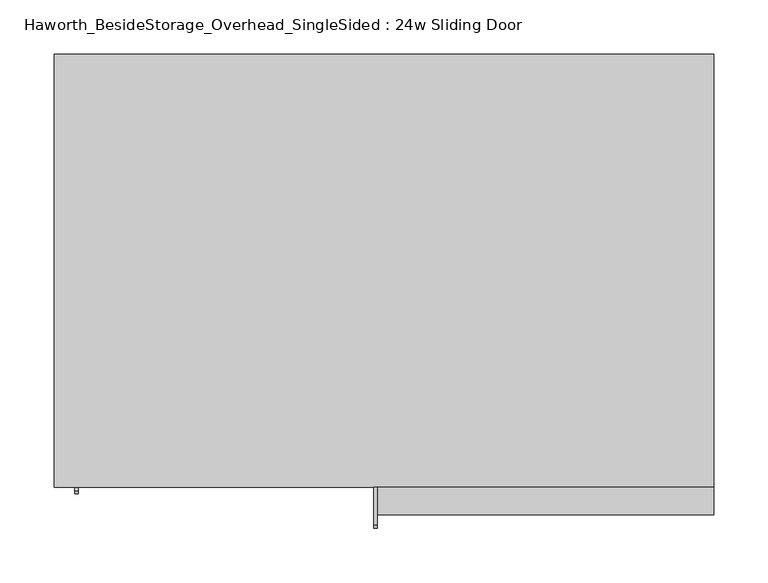
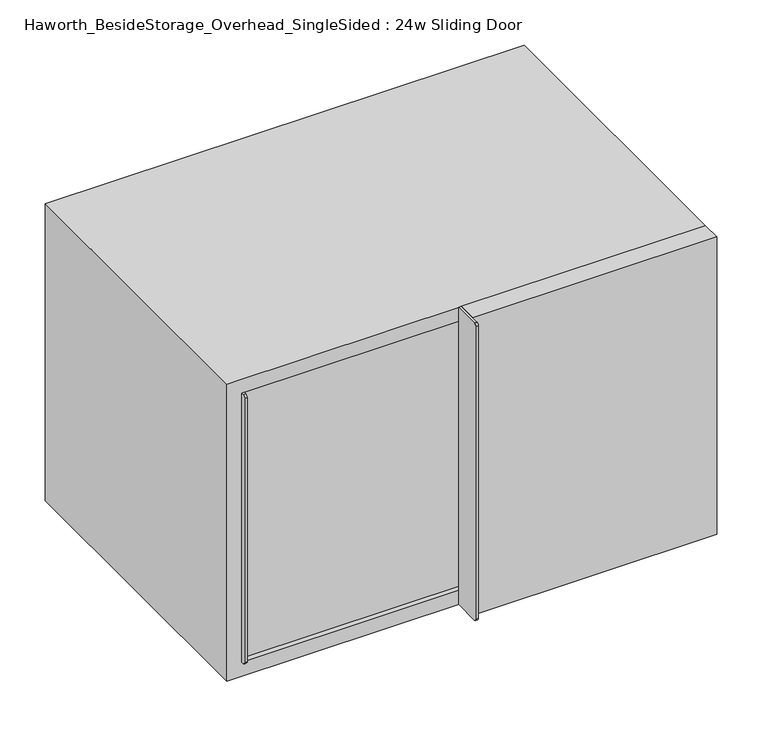
"""IFC4 building model written with IfcOpenShell, lengths in millimetres: furniture geometry, Haworth_BesideStorage_Overhead_SingleSided : 24w Sliding Door."""

from ifc_helpers import new_model, si_unit, point, frame, frame_2d, origin, place, context, project, spatial, polyline, circle_curve, trimmed, segment, composite_curve, outline, extrude, source, transform, mapped, element, save


def haworth_besidestorage_overhead_singlesided_24w_sliding_door_18602fe6(model_context):
    return source(origin(), model_context, "Body", "SweptSolid", [
        extrude(outline(composite_curve([segment(polyline([(-400.05, 1162.05), (-400.05, 762.0), (-434.975, 762.0)]), True, "CONTINUOUS"), segment(trimmed(circle_curve(frame_2d((-434.975, 765.175)), 3.175), [point((-434.975, 762.0))], [point((-438.15, 765.175))], False, "CARTESIAN"), True, "CONTINUOUS"), segment(polyline([(-438.15, 765.175), (-438.15, 1158.875)]), True, "CONTINUOUS"), segment(trimmed(circle_curve(frame_2d((-434.975, 1158.875)), 3.175), [point((-438.15, 1158.875))], [point((-434.975, 1162.05))], False, "CARTESIAN"), True, "CONTINUOUS"), segment(polyline([(-434.975, 1162.05), (-400.05, 1162.05)]), True, "CONTINUOUS")], self_intersect=False)), frame((155.575, 0.0, 0.0), z_axis=(1.0, 0.0, 0.0), x_axis=(0.0, 1.0, 0.0)), (0.0, 0.0, 1.0), 3.175),
        extrude(outline(polyline([(469.9, -400.05), (469.9, -425.45), (158.75, -425.45), (158.75, -400.05), (469.9, -400.05)])), frame((0.0, 0.0, 762.0), z_axis=(0.0, 0.0, 1.0), x_axis=(1.0, 0.0, 0.0)), (0.0, 0.0, 1.0), 400.05),
        extrude(outline(composite_curve([segment(polyline([(-368.3, 1143.0), (-368.3, 781.05), (-403.225, 781.05)]), True, "CONTINUOUS"), segment(trimmed(circle_curve(frame_2d((-403.225, 784.225)), 3.175), [point((-403.225, 781.05))], [point((-406.4, 784.225))], False, "CARTESIAN"), True, "CONTINUOUS"), segment(polyline([(-406.4, 784.225), (-406.4, 1139.825)]), True, "CONTINUOUS"), segment(trimmed(circle_curve(frame_2d((-403.225, 1139.825)), 3.175), [point((-406.4, 1139.825))], [point((-403.225, 1143.0))], False, "CARTESIAN"), True, "CONTINUOUS"), segment(polyline([(-403.225, 1143.0), (-368.3, 1143.0)]), True, "CONTINUOUS")], self_intersect=False)), frame((-120.65, 0.0, 0.0), z_axis=(1.0, 0.0, 0.0), x_axis=(0.0, 1.0, 0.0)), (0.0, 0.0, 1.0), 3.175),
        extrude(outline(polyline([(174.625, -368.3), (174.625, -393.7), (-117.475, -393.7), (-117.475, -368.3), (174.625, -368.3)])), frame((0.0, 0.0, 781.05), z_axis=(0.0, 0.0, 1.0), x_axis=(1.0, 0.0, 0.0)), (0.0, 0.0, 1.0), 361.95),
        extrude(outline(polyline([(174.625, -368.3), (155.575, -368.3), (155.575, -19.05), (174.625, -19.05), (174.625, -368.3)])), frame((0.0, 0.0, 781.05), z_axis=(0.0, 0.0, 1.0), x_axis=(1.0, 0.0, 0.0)), (0.0, 0.0, 1.0), 361.95),
        extrude(outline(polyline([(450.85, -19.05), (-120.65, -19.05), (-120.65, 0.0), (450.85, 0.0), (450.85, -19.05)])), frame((0.0, 0.0, 781.05), z_axis=(0.0, 0.0, 1.0), x_axis=(1.0, 0.0, 0.0)), (0.0, 0.0, 1.0), 361.95),
        extrude(outline(polyline([(762.0, 469.9), (1162.05, 469.9), (1162.05, -139.7), (762.0, -139.7), (762.0, 469.9)]), holes=[polyline([(1143.0, 450.85), (781.05, 450.85), (781.05, -120.65), (1143.0, -120.65), (1143.0, 450.85)])]), frame((0.0, -400.05, 0.0), z_axis=(0.0, 1.0, 0.0), x_axis=(0.0, 0.0, 1.0)), (0.0, 0.0, 1.0), 400.05),
    ])


if __name__ == "__main__":
    model = new_model("IFC4")
    model_context = context("Model", 3, world=origin())
    ifc_project = project(units=[si_unit("LENGTHUNIT", "METRE", prefix="MILLI")], contexts=[model_context])
    site = spatial("IfcSite", under=ifc_project)
    building = spatial("IfcBuilding", under=site)
    placement = place(None, origin())
    haworth_besidestorage_overhead_singlesided_24w_sliding_door_shape = haworth_besidestorage_overhead_singlesided_24w_sliding_door_18602fe6(model_context)
    element("IfcFurniture", 1, ObjectType="Haworth_BesideStorage_Overhead_SingleSided : 24w Sliding Door", at=placement, inside=building, context=model_context, shape_type="MappedRepresentation", body=[
        mapped(haworth_besidestorage_overhead_singlesided_24w_sliding_door_shape, transform((0.0, 0.0, 0.0), x_axis=(1.0, 0.0, 0.0), y_axis=(0.0, 1.0, 0.0), z_axis=(0.0, 0.0, 1.0))),
    ])
    save(model, "model.ifc")
